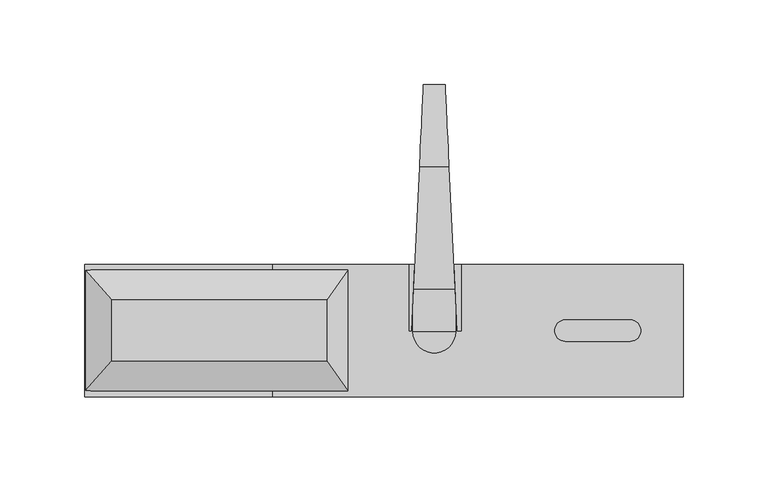
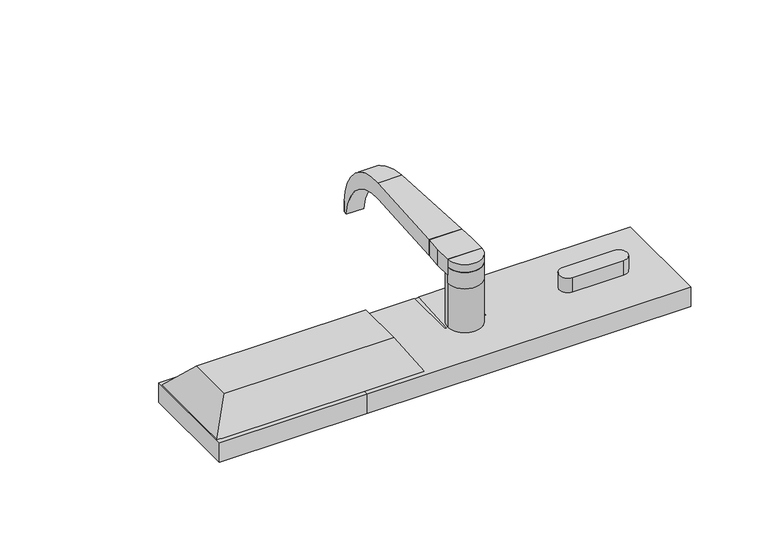
"""IFC4 building model written with IfcOpenShell, lengths in millimetres: proxy geometry."""

from ifc_helpers import new_model, si_unit, point, frame, frame_2d, origin, origin_with_axes, place, context, project, spatial, polyline, circle_curve, ellipse_curve, trimmed, segment, composite_curve, outline, extrude, faceted_brep, source, transform, mapped, element, save
from ifc_brep_helpers import plane_surface, cylinder_surface, revolved_surface, advanced_brep


def security_devices_38ad97fa(model_context):
    return source(origin(), model_context, "Body", "SolidModel", [
        advanced_brep(
        [(-8.9926964, 96.4595703, 57.1497), (8.3438086, 96.4595703, 57.1497), (11.7843034, 24.6607707, 57.1497), (-12.4331912, 24.6607707, 57.1497), (11.7843034, 24.6607707, 69.8497), (-12.4331912, 24.6607707, 69.8497), (8.3438086, 96.4595703, 69.8497), (-8.9926964, 96.4595703, 69.8497), (6.0255561, 144.8385854, 25.5308168), (6.0255561, 144.8385854, 17.038597), (-6.6744439, 144.8385854, 17.038597), (-6.6744439, 144.8385854, 25.5308168), (6.1791524, 141.6332228, 17.038597), (-6.8280402, 141.6332228, 17.038597)],
        [
            (0, 1),
            (1, 2),
            (2, 3),
            (3, 0),
            (2, 4),
            (4, 5),
            (5, 3),
            (4, 6),
            (6, 7),
            (7, 5),
            (6, 8, ellipse_curve(frame((8.3438086, 96.4595703, 21.2847069), z_axis=(-0.9988538794169147, -0.04786363519186215, 0.0), x_axis=(-0.047863635191859884, 0.9988538794169148, 0.0)), 48.6207182, 48.564993)),
            (8, 9, circle_curve(frame((6.0255561, 96.4595703, 21.2847069), z_axis=(-1.0, 0.0, 0.0), x_axis=(0.0, 1.0, 0.0)), 48.564993)),
            (9, 10),
            (10, 11, circle_curve(frame((-6.6744439, 96.4595703, 21.2847069), z_axis=(1.0, 0.0, 0.0), x_axis=(0.0, 1.0, 0.0)), 48.564993)),
            (11, 7, ellipse_curve(frame((-8.9926964, 96.4595703, 21.2847069), z_axis=(0.9988538794169151, -0.047863635191854284, 0.0), x_axis=(-0.047863635191854714, -0.9988538794169151, 0.0)), 48.6207182, 48.564993)),
            (9, 12),
            (12, 13),
            (13, 10),
            (0, 13, ellipse_curve(frame((-8.9926964, 96.4595703, 11.6565672), z_axis=(-0.9988538794169151, 0.047863635191854284, 0.0), x_axis=(0.047863635191854714, 0.9988538794169151, 0.0)), 45.5453332, 45.4931328)),
            (12, 1, ellipse_curve(frame((8.3438086, 96.4595703, 11.6565672), z_axis=(0.9988538794169147, 0.04786363519186215, 0.0), x_axis=(0.047863635191859884, -0.9988538794169148, 0.0)), 45.5453332, 45.4931328)),
            (9, 8),
            (10, 11),
        ],
        [
            plane_surface(frame((-13.0244439, 96.4595703, 57.1497), z_axis=(0.0, 0.0, -1.0), x_axis=(1.0, 0.0, 0.0))),
            plane_surface(frame((-13.0244439, 24.6607707, 57.1497), z_axis=(0.0, -1.0, 0.0), x_axis=(1.0, 0.0, 0.0))),
            plane_surface(frame((-13.0244439, 24.6607707, 69.8497), z_axis=(0.0, 0.0, 1.0), x_axis=(1.0, 0.0, 0.0))),
            cylinder_surface(frame((12.3755561, 96.4595703, 21.2847069), z_axis=(-1.0, 0.0, 0.0), x_axis=(0.0, 1.0, 0.0)), 48.564993),
            plane_surface(frame((-13.0244439, 144.8385854, 17.038597), z_axis=(0.0, 0.0, -1.0), x_axis=(1.0, 0.0, 0.0))),
            revolved_surface(polyline([(10.523773812976504, 141.9527031, 11.6565672), (-11.172661612976267, 141.9527031, 11.6565672)]), (12.3755561, 96.4595703, 11.6565672), (1.0, 0.0, 0.0)),
            plane_surface(frame((6.0255561, 144.8385854, 76.2747141), z_axis=(0.9988538794169147, 0.04786363519186215, 0.0), x_axis=(0.0, 0.0, -1.0))),
            plane_surface(frame((6.0255561, 148.023484, 76.2747141), z_axis=(1.0, 0.0, 0.0), x_axis=(0.0, 0.0, -1.0))),
            plane_surface(frame((-6.6744439, 144.8385854, 76.2747141), z_axis=(-1.0, 0.0, 0.0), x_axis=(0.0, 0.0, -1.0))),
            plane_surface(frame((-13.6327087, -0.3716517, 76.2747141), z_axis=(-0.9988538794169151, 0.047863635191854284, 0.0), x_axis=(0.0, 0.0, -1.0))),
        ],
        [
            (0, [[1, 2, 3, 4]]),
            (1, [[-3, 5, 6, 7]]),
            (2, [[-6, 8, 9, 10]]),
            (3, [[-9, 11, 12, 13, 14, 15]]),
            (4, [[-13, 16, 17, 18]]),
            (5, [[-1, 19, -17, 20]]),
            (6, [[21, -11, -8, -5, -2, -20, -16]]),
            (7, [[-21, -12]]),
            (8, [[22, -14]]),
            (9, [[-22, -18, -19, -4, -7, -10, -15]]),
        ],
    ),
        extrude(outline(polyline([(12.3755561, -0.3779297), (-13.0244439, -0.3779297), (-13.0244439, 12.3220703), (-12.4331912, 24.6607707), (11.7843034, 24.6607707), (12.3755561, 12.3220703), (12.3755561, -0.3779297)])), frame((0.0, 0.0, 57.1497), z_axis=(0.0, 0.0, 1.0), x_axis=(1.0, 0.0, 0.0)), (0.0, 0.0, 1.0), 12.7),
        faceted_brep([(-95.377, 39.0906, 15.6882305), (-95.377, 35.9156, 15.6882305), (-50.927, 35.9156, 15.6882305), (-50.927, -35.9156, 15.6882305), (-95.377, -35.9156, 15.6882305), (-95.377, -39.0906, 15.6882305), (146.177, -39.0906, 15.6882305), (146.177, 39.0906, 15.6882305), (15.7944246, 39.0906, 15.6882305), (15.7944246, -0.3716517, 15.6882305), (12.9838209, -0.3716517, 15.6882305), (11.0928468, 39.0906, 15.6882305), (-11.7417346, 39.0906, 15.6882305), (-13.6327087, -0.3716517, 15.6882305), (-15.3877863, -0.3716517, 15.6882305), (-15.3877863, 39.0906, 15.6882305), (-95.377, 39.0906, 0.0), (146.177, 39.0906, 0.0), (146.177, -39.0906, 0.0), (-95.377, -39.0906, 0.0), (-95.377, -35.9156, 0.0), (-50.927, -35.9156, 0.0), (-50.927, 35.9156, 0.0), (-95.377, 35.9156, 0.0), (-15.3877863, 39.0906, 15.1552864), (-11.7417346, 39.0906, 15.1552864), (11.0928468, 39.0906, 15.1552864), (15.7944246, 39.0906, 15.1552864), (12.9838209, -0.3716517, 15.1552864), (15.7944246, -0.3716517, 15.1552864), (-15.3877863, -0.3716517, 15.1552864), (-13.6327087, -0.3716517, 15.1552864)], [[[0, 1, 2, 3, 4, 5, 6, 7, 8, 9, 10, 11, 12, 13, 14, 15]], [[16, 17, 18, 19, 20, 21, 22, 23]], [[17, 16, 0, 15, 24, 25, 12, 11, 26, 27, 8, 7]], [[7, 6, 18, 17]], [[6, 5, 19, 18]], [[5, 4, 20, 19]], [[4, 3, 21, 20]], [[2, 1, 23, 22]], [[1, 0, 16, 23]], [[3, 2, 22, 21]], [[28, 29, 27, 26]], [[30, 31, 25, 24]], [[28, 26, 11, 10]], [[29, 28, 10, 9]], [[27, 29, 9, 8]], [[30, 24, 15, 14]], [[31, 30, 14, 13]], [[25, 31, 13, 12]]]),
        extrude(outline(composite_curve([segment(trimmed(circle_curve(frame_2d((114.999789, 0.0)), 6.35), [point((114.999789, 6.35))], [point((114.999789, -6.35))], False, "CARTESIAN"), True, "CONTINUOUS"), segment(polyline([(114.999789, -6.35), (76.899789, -6.35)]), True, "CONTINUOUS"), segment(trimmed(circle_curve(frame_2d((76.899789, 0.0)), 6.35), [point((76.899789, -6.35))], [point((76.899789, 6.35))], False, "CARTESIAN"), True, "CONTINUOUS"), segment(polyline([(76.899789, 6.35), (114.999789, 6.35)]), True, "CONTINUOUS")], self_intersect=False)), frame((0.0, 0.0, 15.6882305), z_axis=(0.0, 0.0, 1.0), x_axis=(1.0, 0.0, 0.0)), (0.0, 0.0, 1.0), 11.8976499),
        extrude(outline(composite_curve([segment(trimmed(circle_curve(frame_2d((-0.3244439, -0.3653736)), 12.7), [point((12.3755561, -0.3653736))], [point((-13.0244439, -0.3653736))], False, "CARTESIAN"), True, "CONTINUOUS"), segment(polyline([(-13.0244439, -0.3653736), (12.3755561, -0.3653736)]), True, "CONTINUOUS")], self_intersect=False)), frame((0.0, 0.0, 50.7997), z_axis=(0.0, 0.0, 1.0), x_axis=(1.0, 0.0, 0.0)), (0.0, 0.0, 1.0), 12.7),
        extrude(outline(composite_curve([segment(trimmed(circle_curve(frame_2d((-0.3244439, -0.3779297)), 12.7), [point((12.3755561, -0.3779297))], [point((-13.0244439, -0.3779297))], False, "CARTESIAN"), True, "CONTINUOUS"), segment(polyline([(-13.0244439, -0.3779297), (12.3755561, -0.3779297)]), True, "CONTINUOUS")], self_intersect=False)), frame((0.0, 0.0, 57.1497), z_axis=(0.0, 0.0, 1.0), x_axis=(1.0, 0.0, 0.0)), (0.0, 0.0, 1.0), 12.7),
        extrude(outline(composite_curve([segment(polyline([(12.3755561, -0.3779297), (-13.0244439, -0.3779297)]), True, "CONTINUOUS"), segment(trimmed(circle_curve(frame_2d((-0.3244439, -0.3779297)), 12.7), [point((-13.0244439, -0.3779297))], [point((12.3755561, -0.3779297))], False, "CARTESIAN"), True, "CONTINUOUS")], self_intersect=False)), frame((0.0, 0.0, 15.6882305), z_axis=(0.0, 0.0, 1.0), x_axis=(1.0, 0.0, 0.0)), (0.0, 0.0, 1.0), 41.4614695),
        extrude(outline(composite_curve([segment(trimmed(circle_curve(frame_2d((-0.3244439, -0.3653736)), 12.7), [point((12.3755561, -0.3653736))], [point((-13.0244439, -0.3653736))], False, "CARTESIAN"), True, "CONTINUOUS"), segment(polyline([(-13.0244439, -0.3653736), (12.3755561, -0.3653736)]), True, "CONTINUOUS")], self_intersect=False)), frame((0.0, 0.0, 15.6882305), z_axis=(0.0, 0.0, 1.0), x_axis=(1.0, 0.0, 0.0)), (0.0, 0.0, 1.0), 41.4614695),
        extrude(outline(polyline([(-202.823, 35.9156), (-202.823, -35.9156), (-95.377, -35.9156), (-95.377, -39.0906), (-205.998, -39.0906), (-205.998, 39.0906), (-95.377, 39.0906), (-95.377, 35.9156), (-202.823, 35.9156)])), origin_with_axes(), (0.0, 0.0, 1.0), 15.6882305),
        faceted_brep([(-63.627, -17.9578, 36.115625), (-63.627, 17.9578, 36.115625), (-190.123, 17.9578, 36.115625), (-190.123, -17.9578, 36.115625), (-50.927, -35.9156, 15.6765625), (-205.998, -35.9156, 15.6765625), (-205.998, 35.9156, 15.6765625), (-50.927, 35.9156, 15.6765625)], [[[0, 1, 2, 3]], [[4, 5, 6, 7]], [[5, 4, 0, 3]], [[6, 5, 3, 2]], [[7, 6, 2, 1]], [[4, 7, 1, 0]]]),
    ])


if __name__ == "__main__":
    model = new_model("IFC4")
    model_context = context("Model", 3, world=origin())
    ifc_project = project(units=[si_unit("LENGTHUNIT", "METRE", prefix="MILLI")], contexts=[model_context])
    site = spatial("IfcSite", under=ifc_project)
    building = spatial("IfcBuilding", under=site)
    placement = place(None, origin())
    security_devices_shape = security_devices_38ad97fa(model_context)
    element("IfcBuildingElementProxy", 1, Name="Security Devices", at=placement, inside=building, context=model_context, shape_type="MappedRepresentation", body=[
        mapped(security_devices_shape, transform((0.0, 0.0, 0.0), x_axis=(1.0, 0.0, 0.0), y_axis=(0.0, 1.0, 0.0), z_axis=(0.0, 0.0, 1.0))),
    ])
    save(model, "model.ifc")
